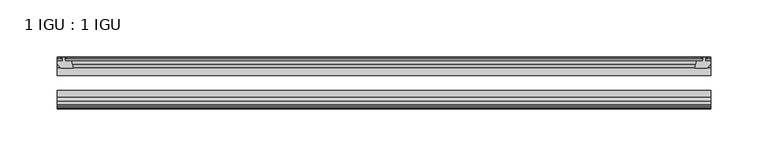
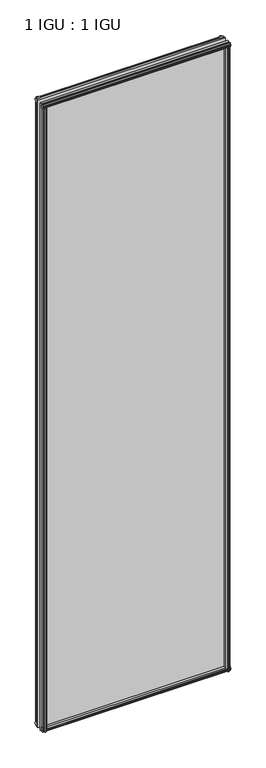
"""IFC4 building model written with IfcOpenShell, lengths in millimetres: plate geometry, 1 IGU : 1 IGU."""

from ifc_helpers import new_model, si_unit, frame, origin, place, context, project, spatial, polyline, outline, extrude, source, transform, mapped, element, save


def plate_1_igu_1_igu_2d20afee(model_context):
    return source(origin(), model_context, "Body", "SweptSolid", [
        extrude(outline(polyline([(277.7431709, -10.4746158), (279.9207, -9.7670938), (282.0982291, -10.4746158), (282.0982291, -11.27583), (280.6827, -10.8158968), (281.0637, -13.1960938), (285.5087, -13.1960938), (285.5087, -16.1424938), (282.6743578, -19.5460938), (271.8529819, -19.5460938), (273.5707, -13.1960938), (278.7777, -13.1960938), (279.1587, -10.8158968), (277.7431709, -11.27583), (277.7431709, -10.4746158)])), frame((0.0, 0.0, -12.4587), z_axis=(0.0, 0.0, 1.0), x_axis=(1.0, 0.0, 0.0)), (0.0, 0.0, 1.0), 2018.8174),
        extrude(outline(polyline([(-279.9207, -9.7670937), (-277.7431709, -10.4746158), (-277.7431709, -11.27583), (-279.1587, -10.8158968), (-278.7777, -13.1960937), (-273.5707, -13.1960937), (-271.8529819, -19.5460937), (-282.6743578, -19.5460937), (-285.5087, -16.1424937), (-285.5087, -13.1960937), (-281.0637, -13.1960937), (-280.6827, -10.8158968), (-282.0982291, -11.27583), (-282.0982291, -10.4746158), (-279.9207, -9.7670937)])), frame((0.0, 0.0, -12.4587), z_axis=(0.0, 0.0, 1.0), x_axis=(1.0, 0.0, 0.0)), (0.0, 0.0, 1.0), 2018.8174),
        extrude(outline(polyline([(271.3355839, -44.9460938), (282.1569598, -44.9460938), (284.991302, -48.3496938), (284.991302, -51.2960938), (280.546302, -51.2960938), (280.165302, -53.6762907), (281.580831, -53.2163575), (281.580831, -54.0175717), (279.403302, -54.7250938), (277.2257729, -54.0175717), (277.2257729, -53.2163575), (278.641302, -53.6762907), (278.260302, -51.2960938), (273.053302, -51.2960938), (271.3355839, -44.9460938)])), frame((0.0, 0.0, -12.4587), z_axis=(0.0, 0.0, 1.0), x_axis=(1.0, 0.0, 0.0)), (0.0, 0.0, 1.0), 2006.1174),
        extrude(outline(polyline([(-271.3322819, -44.9460937), (-273.05, -51.2960937), (-278.257, -51.2960937), (-278.638, -53.6762907), (-277.2224709, -53.2163575), (-277.2224709, -54.0175717), (-279.4, -54.7250937), (-281.5775291, -54.0175717), (-281.5775291, -53.2163575), (-280.162, -53.6762907), (-280.543, -51.2960937), (-284.988, -51.2960937), (-284.988, -48.3496937), (-282.1536578, -44.9460937), (-271.3322819, -44.9460937)])), frame((0.0, 0.0, -12.4587), z_axis=(0.0, 0.0, 1.0), x_axis=(1.0, 0.0, 0.0)), (0.0, 0.0, 1.0), 2006.1174),
        extrude(outline(polyline([(-10.4746158, -4.6931709), (-9.7670937, -6.8707), (-10.4746158, -9.0482291), (-11.27583, -9.0482291), (-10.8158968, -7.6327), (-13.1960937, -8.0137), (-13.1960937, -12.4587), (-16.1424937, -12.4587), (-19.5460937, -9.6243578), (-19.5460937, 1.1970181), (-13.1960937, -0.5207), (-13.1960937, -5.7277), (-10.8158968, -6.1087), (-11.27583, -4.6931709), (-10.4746158, -4.6931709)])), frame((-285.75, 0.0, 0.0), z_axis=(1.0, 0.0, 0.0), x_axis=(0.0, 1.0, 0.0)), (0.0, 0.0, 1.0), 571.5),
        extrude(outline(polyline([(-44.9460937, 1.7177181), (-44.9460937, -9.1036578), (-48.3496937, -11.938), (-51.2960937, -11.938), (-51.2960937, -7.493), (-53.6762907, -7.112), (-53.2163575, -8.5275291), (-54.0175717, -8.5275291), (-54.7250937, -6.35), (-54.0175717, -4.1724709), (-53.2163575, -4.1724709), (-53.6762907, -5.588), (-51.2960937, -5.207), (-51.2960937, 0.0), (-44.9460937, 1.7177181)])), frame((-285.75, 0.0, 0.0), z_axis=(1.0, 0.0, 0.0), x_axis=(0.0, 1.0, 0.0)), (0.0, 0.0, 1.0), 571.5),
        extrude(outline(polyline([(-10.8158968, 2001.5327), (-11.27583, 2002.9482291), (-10.4746158, 2002.9482291), (-9.7670937, 2000.7707), (-10.4746158, 1998.5931709), (-11.27583, 1998.5931709), (-10.8158968, 2000.0087), (-13.1960937, 1999.6277), (-13.1960937, 1994.4207), (-19.5460938, 1992.7029819), (-19.5460938, 2003.5243578), (-16.1424937, 2006.3587), (-13.1960937, 2006.3587), (-13.1960937, 2001.9137), (-10.8158968, 2001.5327)])), frame((-285.75, 0.0, 0.0), z_axis=(1.0, 0.0, 0.0), x_axis=(0.0, 1.0, 0.0)), (0.0, 0.0, 1.0), 571.5),
        extrude(outline(polyline([(-51.2960937, 2005.838), (-48.3496937, 2005.838), (-44.9460938, 2003.0036578), (-44.9460938, 1992.1822819), (-51.2960937, 1993.9), (-51.2960937, 1999.107), (-53.6762907, 1999.488), (-53.2163575, 1998.0724709), (-54.0175717, 1998.0724709), (-54.7250937, 2000.25), (-54.0175717, 2002.4275291), (-53.2163575, 2002.4275291), (-53.6762907, 2001.012), (-51.2960937, 2001.393), (-51.2960937, 2005.838)])), frame((-285.75, 0.0, 0.0), z_axis=(1.0, 0.0, 0.0), x_axis=(0.0, 1.0, 0.0)), (0.0, 0.0, 1.0), 571.5),
        extrude(outline(polyline([(-285.75, -38.9186738), (285.75, -38.9186738), (285.75, -44.9460937), (-285.75, -44.9460937), (-285.75, -38.9186738)])), frame((0.0, 0.0, -12.7), z_axis=(0.0, 0.0, 1.0), x_axis=(1.0, 0.0, 0.0)), (0.0, 0.0, 1.0), 2019.3),
        extrude(outline(polyline([(-285.75, -19.5460937), (285.75, -19.5460937), (285.75, -25.8960938), (-285.75, -25.8960938), (-285.75, -19.5460937)])), frame((0.0, 0.0, -12.7), z_axis=(0.0, 0.0, 1.0), x_axis=(1.0, 0.0, 0.0)), (0.0, 0.0, 1.0), 2019.3),
    ])


if __name__ == "__main__":
    model = new_model("IFC4")
    model_context = context("Model", 3, world=origin())
    ifc_project = project(units=[si_unit("LENGTHUNIT", "METRE", prefix="MILLI")], contexts=[model_context])
    site = spatial("IfcSite", under=ifc_project)
    building = spatial("IfcBuilding", under=site)
    placement = place(None, origin())
    plate_1_igu_1_igu_shape = plate_1_igu_1_igu_2d20afee(model_context)
    element("IfcPlate", 1, ObjectType="1 IGU : 1 IGU", at=placement, inside=building, context=model_context, shape_type="MappedRepresentation", body=[
        mapped(plate_1_igu_1_igu_shape, transform((0.0, 0.0, 0.0), x_axis=(1.0, 0.0, 0.0), y_axis=(0.0, 1.0, 0.0), z_axis=(0.0, 0.0, 1.0))),
    ])
    save(model, "model.ifc")
